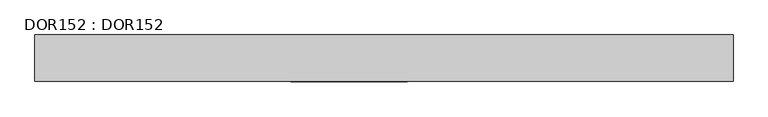
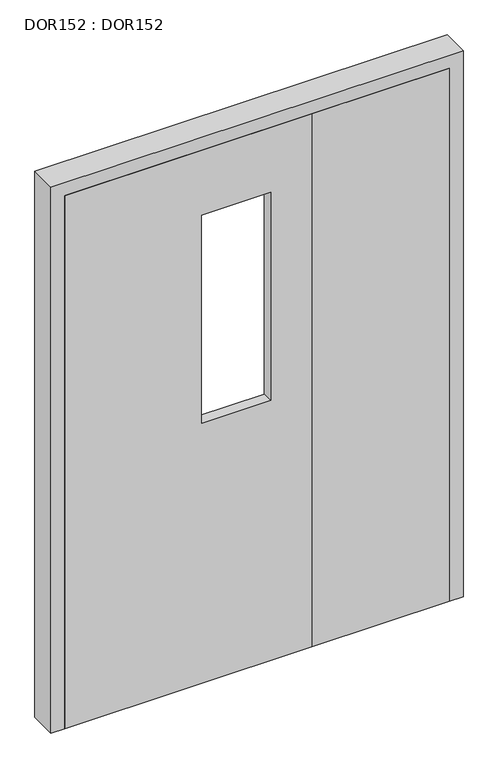
"""IFC4 building model written with IfcOpenShell, lengths in millimetres: proxy geometry, DOR152 : DOR152."""

from ifc_helpers import new_model, si_unit, frame, origin, origin_with_axes, place, context, project, spatial, polyline, outline, extrude, source, transform, mapped, element, save


def dor152_dor152_c4250f67(model_context):
    return source(origin(), model_context, "Body", "SweptSolid", [
        extrude(outline(polyline([(2050.0000156, 950.0000072), (2050.0000156, 50.0000004), (0.0, 50.0000004), (0.0, 950.0000072), (2050.0000156, 950.0000072)]), holes=[polyline([(1800.0000137, 550.0000042), (1800.0000137, 800.0000061), (1000.0000076, 800.0000061), (1000.0000076, 550.0000042), (1800.0000137, 550.0000042)])]), frame((0.0, -100.0000008, 0.0), z_axis=(0.0, 1.0, 0.0), x_axis=(0.0, 0.0, 1.0)), (0.0, 0.0, 1.0), 40.0000021),
        extrude(outline(polyline([(1450.0, -59.9999986), (1450.0, -100.0), (950.0000072, -100.0), (950.0000072, -59.9999986), (1450.0, -59.9999986)])), origin_with_axes(), (0.0, 0.0, 1.0), 2050.0000156),
        extrude(outline(polyline([(2100.000016, 0.0), (0.0, 0.0), (0.0, 50.0000004), (2050.0000156, 50.0000004), (2050.0000156, 1450.0000111), (0.0, 1450.0000111), (0.0, 1500.0000114), (2100.000016, 1500.0000114), (2100.000016, 0.0)])), frame((0.0, -100.0000008, 0.0), z_axis=(0.0, 1.0, 0.0), x_axis=(0.0, 0.0, 1.0)), (0.0, 0.0, 1.0), 100.0000008),
    ])


if __name__ == "__main__":
    model = new_model("IFC4")
    model_context = context("Model", 3, world=origin())
    ifc_project = project(units=[si_unit("LENGTHUNIT", "METRE", prefix="MILLI")], contexts=[model_context])
    site = spatial("IfcSite", under=ifc_project)
    building = spatial("IfcBuilding", under=site)
    placement = place(None, origin())
    dor152_dor152_shape = dor152_dor152_c4250f67(model_context)
    element("IfcBuildingElementProxy", 1, Name="DOR152 : DOR152", ObjectType="DOR152 : DOR152", at=placement, inside=building, context=model_context, shape_type="MappedRepresentation", body=[
        mapped(dor152_dor152_shape, transform((0.0, 0.0, 0.0), x_axis=(1.0, 0.0, 0.0), y_axis=(0.0, 1.0, 0.0), z_axis=(0.0, 0.0, 1.0))),
    ])
    save(model, "model.ifc")
